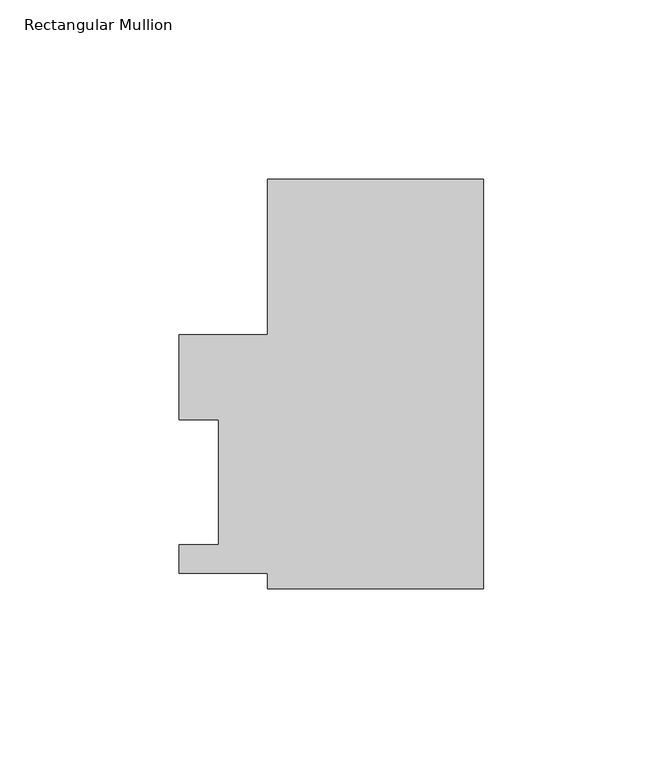
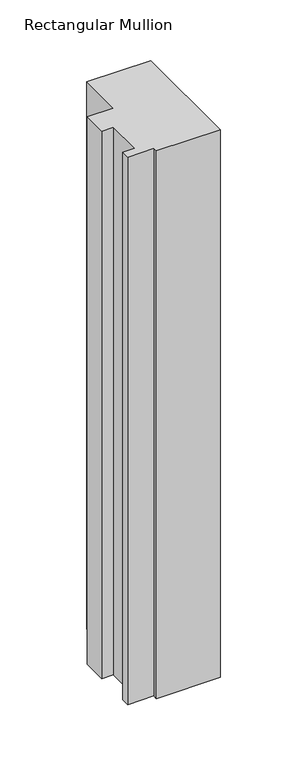
"""IFC4 building model written with IfcOpenShell, lengths in millimetres: member geometry, Rectangular Mullion."""

from ifc_helpers import new_model, si_unit, frame, origin, place, context, project, spatial, polyline, outline, extrude, source, transform, mapped, element, save


def rectangular_mullion_e5d57d0f(model_context):
    return source(origin(), model_context, "Body", "SweptSolid", [
        extrude(outline(polyline([(0.0, 114.252375), (0.0, -0.047625), (-60.325, -0.047625), (-60.325, 4.219575), (-85.09, 4.219575), (-85.09, 12.144375), (-73.9648, 12.144375), (-73.9648, 47.069375), (-85.09, 47.069375), (-85.09, 70.767575), (-60.325, 70.767575), (-60.325, 114.252375), (0.0, 114.252375)])), frame((0.0, 0.0, -549.2748985), z_axis=(0.0, 0.0, 1.0), x_axis=(1.0, 0.0, 0.0)), (0.0, 0.0, 1.0), 549.2748985),
    ])


if __name__ == "__main__":
    model = new_model("IFC4")
    model_context = context("Model", 3, world=origin())
    ifc_project = project(units=[si_unit("LENGTHUNIT", "METRE", prefix="MILLI")], contexts=[model_context])
    site = spatial("IfcSite", under=ifc_project)
    building = spatial("IfcBuilding", under=site)
    placement = place(None, origin())
    rectangular_mullion_shape = rectangular_mullion_e5d57d0f(model_context)
    element("IfcMember", 1, ObjectType="Rectangular Mullion", at=placement, inside=building, context=model_context, shape_type="MappedRepresentation", body=[
        mapped(rectangular_mullion_shape, transform((0.0, 0.0, 0.0), x_axis=(1.0, 0.0, 0.0), y_axis=(0.0, 1.0, 0.0), z_axis=(0.0, 0.0, 1.0))),
    ])
    save(model, "model.ifc")
